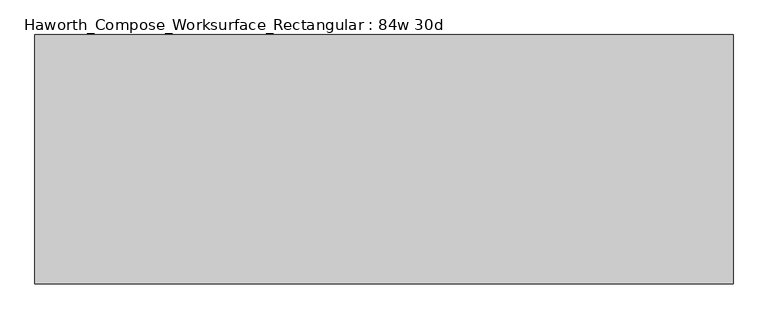
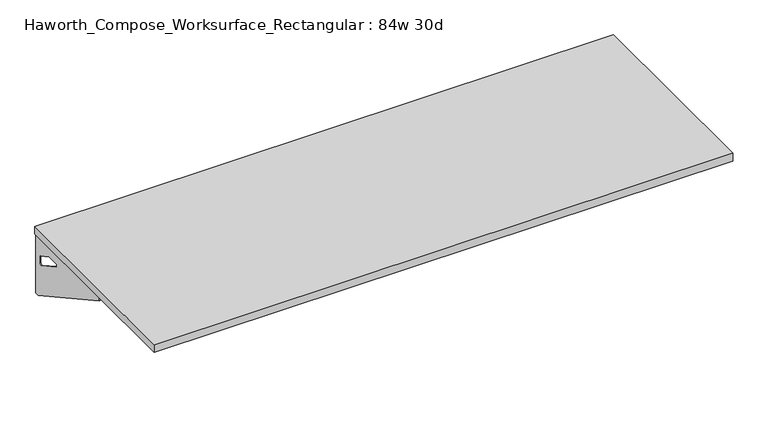
"""IFC4 building model written with IfcOpenShell, lengths in millimetres: furniture geometry, Haworth_Compose_Worksurface_Rectangular : 84w 30d."""

from ifc_helpers import new_model, si_unit, frame, origin, place, context, project, spatial, polyline, circle_curve, outline, extrude, source, transform, mapped, element, save
from ifc_brep_helpers import plane_surface, revolved_surface, advanced_brep


def haworth_compose_worksurface_rectangular_84w_30d_4b6d05cd(model_context):
    return source(origin(), model_context, "Body", "SolidModel", [
        advanced_brep(
        [(1061.24375, 381.0, 475.45625), (1061.24375, 365.125, 475.45625), (1061.24375, -25.4, 691.7192568), (1061.24375, -25.4, 704.05625), (1061.24375, 365.125, 704.05625), (1061.24375, 381.0, 704.05625), (1061.24375, 297.690072, 665.95625), (1061.24375, 254.0355284, 665.95625), (1061.24375, 251.3564235, 656.3705539), (1061.24375, 343.0776173, 605.5776439), (1061.24375, 352.425, 611.1756969), (1061.24375, 352.425, 634.6860246), (1061.24375, 350.6730055, 637.5242776), (1061.24375, 300.7663437, 665.1613425), (1063.625, 381.0, 475.45625), (1063.625, 381.0, 704.05625), (1063.625, 365.125, 704.05625), (1063.625, 365.125, 706.4375), (1063.625, -25.4, 706.4375), (1063.625, -25.4, 691.7192568), (1063.625, 365.125, 475.45625), (1063.625, 297.690072, 665.95625), (1063.625, 300.7663437, 665.1613425), (1063.625, 350.6730055, 637.5242776), (1063.625, 352.425, 634.6860246), (1063.625, 352.425, 611.1756969), (1063.625, 343.0776173, 605.5776439), (1063.625, 251.3564235, 656.3705539), (1063.625, 254.0355284, 665.95625), (1022.35, -25.4, 706.4375), (1022.35, -25.4, 704.05625), (1022.35, 365.125, 704.05625), (1022.35, 365.125, 706.4375)],
        [
            (0, 1),
            (1, 2),
            (2, 3),
            (3, 4),
            (4, 5),
            (5, 0),
            (6, 7),
            (7, 8, circle_curve(frame((1061.24375, 254.0355284, 660.7890106), z_axis=(1.0, 0.0, 0.0), x_axis=(0.0, -1.0, 0.0)), 5.1672394)),
            (8, 9),
            (9, 10, circle_curve(frame((1061.24375, 346.075, 611.1756969), z_axis=(1.0, 0.0, 0.0), x_axis=(0.0, -1.0, 0.0)), 6.35)),
            (10, 11),
            (11, 12, circle_curve(frame((1061.24375, 349.25, 634.6860246), z_axis=(1.0, 0.0, 0.0), x_axis=(0.0, -1.0, 0.0)), 3.175)),
            (12, 13),
            (13, 6, circle_curve(frame((1061.24375, 297.690072, 659.60625), z_axis=(1.0, 0.0, 0.0), x_axis=(0.0, -1.0, 0.0)), 6.35)),
            (14, 15),
            (15, 16),
            (16, 17),
            (17, 18),
            (18, 19),
            (19, 20),
            (20, 14),
            (21, 22, circle_curve(frame((1063.625, 297.690072, 659.60625), z_axis=(-1.0, 0.0, 0.0), x_axis=(0.0, -1.0, 0.0)), 6.35)),
            (22, 23),
            (23, 24, circle_curve(frame((1063.625, 349.25, 634.6860246), z_axis=(-1.0, 0.0, 0.0), x_axis=(0.0, -1.0, 0.0)), 3.175)),
            (24, 25),
            (25, 26, circle_curve(frame((1063.625, 346.075, 611.1756969), z_axis=(-1.0, 0.0, 0.0), x_axis=(0.0, -1.0, 0.0)), 6.35)),
            (26, 27),
            (27, 28, circle_curve(frame((1063.625, 254.0355284, 660.7890106), z_axis=(-1.0, 0.0, 0.0), x_axis=(0.0, -1.0, 0.0)), 5.1672394)),
            (28, 21),
            (4, 16),
            (15, 5),
            (14, 0),
            (20, 1),
            (19, 2),
            (18, 29),
            (29, 30),
            (30, 3),
            (6, 21),
            (28, 7),
            (9, 26),
            (25, 10),
            (24, 11),
            (23, 12),
            (27, 8),
            (31, 4),
            (30, 31),
            (32, 29),
            (17, 32),
            (31, 32),
            (22, 13),
        ],
        [
            plane_surface(frame((1061.24375, 381.0, 475.45625), z_axis=(-1.0, 0.0, 0.0), x_axis=(0.0, 1.0, 0.0))),
            plane_surface(frame((1063.625, 381.0, 475.45625), z_axis=(1.0, 0.0, 0.0), x_axis=(0.0, -1.0, 0.0))),
            plane_surface(frame((1063.625, -25.4, 704.05625), z_axis=(0.0, 0.0, 1.0), x_axis=(-1.0, 0.0, 0.0))),
            plane_surface(frame((1063.625, 381.0, 704.05625), z_axis=(0.0, 1.0, 0.0), x_axis=(-1.0, 0.0, 0.0))),
            plane_surface(frame((1063.625, 381.0, 475.45625), z_axis=(0.0, 0.0, -1.0), x_axis=(-1.0, 0.0, 0.0))),
            plane_surface(frame((1063.625, 365.125, 475.45625), z_axis=(0.0, -0.48445223513455843, -0.8748177135112952), x_axis=(-1.0, 0.0, 0.0))),
            plane_surface(frame((1063.625, -25.4, 691.7192568), z_axis=(0.0, -1.0, 0.0), x_axis=(-1.0, 0.0, 0.0))),
            plane_surface(frame((1063.625, 297.690072, 665.95625), z_axis=(0.0, 0.0, -1.0), x_axis=(-1.0, 0.0, 0.0))),
            revolved_surface(polyline([(1061.24375, 339.72499999999997, 611.1756969), (1063.625, 339.72499999999997, 611.1756969)]), (1063.625, 346.075, 611.1756969), (-1.0, 0.0, 0.0)),
            plane_surface(frame((1063.625, 352.425, 611.1756969), z_axis=(0.0, -1.0, 0.0), x_axis=(-1.0, 0.0, 0.0))),
            revolved_surface(polyline([(1061.24375, 346.075, 634.6860246), (1063.625, 346.075, 634.6860246)]), (1063.625, 349.25, 634.6860246), (-1.0, 0.0, 0.0)),
            revolved_surface(polyline([(1061.24375, 248.868289, 660.7890106), (1063.625, 248.868289, 660.7890106)]), (1063.625, 254.0355284, 660.7890106), (-1.0, 0.0, 0.0)),
            plane_surface(frame((1063.625, 365.125, 704.05625), z_axis=(0.0, 0.0, -1.0), x_axis=(-1.0, 0.0, 0.0))),
            plane_surface(frame((1063.625, 365.125, 706.4375), z_axis=(0.0, 0.0, 1.0), x_axis=(1.0, 0.0, 0.0))),
            plane_surface(frame((1022.35, 365.125, 706.4375), z_axis=(0.0, 1.0, 0.0), x_axis=(0.0, 0.0, -1.0))),
            plane_surface(frame((1022.35, -25.4, 706.4375), z_axis=(-1.0, 0.0, 0.0), x_axis=(0.0, 0.0, -1.0))),
            plane_surface(frame((1063.625, 251.3564235, 656.3705539), z_axis=(0.0, 0.4844522351345583, 0.8748177135112953), x_axis=(-1.0, 0.0, 0.0))),
            plane_surface(frame((1063.625, 350.6730055, 637.5242776), z_axis=(0.0, -0.4844522351345582, -0.8748177135112953), x_axis=(-1.0, 0.0, 0.0))),
            revolved_surface(polyline([(1061.24375, 291.34007199999996, 659.60625), (1063.625, 291.34007199999996, 659.60625)]), (1063.625, 297.690072, 659.60625), (-1.0, 0.0, 0.0)),
        ],
        [
            (0, [[1, 2, 3, 4, 5, 6], [7, 8, 9, 10, 11, 12, 13, 14]]),
            (1, [[15, 16, 17, 18, 19, 20, 21], [22, 23, 24, 25, 26, 27, 28, 29]]),
            (2, [[-5, 30, -16, 31]]),
            (3, [[-31, -15, 32, -6]]),
            (4, [[-32, -21, 33, -1]]),
            (5, [[-33, -20, 34, -2]]),
            (6, [[-34, -19, 35, 36, 37, -3]]),
            (7, [[38, -29, 39, -7]]),
            (8, [[40, -26, 41, -10]]),
            (9, [[-41, -25, 42, -11]]),
            (10, [[-42, -24, 43, -12]]),
            (11, [[-39, -28, 44, -8]]),
            (12, [[45, -4, -37, 46]]),
            (13, [[47, -35, -18, 48]]),
            (14, [[-17, -30, -45, 49, -48]]),
            (15, [[-36, -47, -49, -46]]),
            (16, [[-44, -27, -40, -9]]),
            (17, [[-43, -23, 50, -13]]),
            (18, [[-50, -22, -38, -14]]),
        ],
    ),
        advanced_brep(
        [(-1061.24375, 381.0, 475.45625), (-1061.24375, 381.0, 704.05625), (-1061.24375, 365.125, 704.05625), (-1061.24375, -25.4, 704.05625), (-1061.24375, -25.4, 691.7192568), (-1061.24375, 365.125, 475.45625), (-1061.24375, 297.690072, 665.95625), (-1061.24375, 300.7663437, 665.1613425), (-1061.24375, 350.6730055, 637.5242776), (-1061.24375, 352.425, 634.6860246), (-1061.24375, 352.425, 611.1756969), (-1061.24375, 343.0776173, 605.5776439), (-1061.24375, 251.3564235, 656.3705539), (-1061.24375, 254.0355284, 665.95625), (-1063.625, 381.0, 475.45625), (-1063.625, 365.125, 475.45625), (-1063.625, -25.4, 691.7192568), (-1063.625, -25.4, 706.4375), (-1063.625, 365.125, 706.4375), (-1063.625, 365.125, 704.05625), (-1063.625, 381.0, 704.05625), (-1063.625, 297.690072, 665.95625), (-1063.625, 254.0355284, 665.95625), (-1063.625, 251.3564235, 656.3705539), (-1063.625, 343.0776173, 605.5776439), (-1063.625, 352.425, 611.1756969), (-1063.625, 352.425, 634.6860246), (-1063.625, 350.6730055, 637.5242776), (-1063.625, 300.7663437, 665.1613425), (-1022.35, -25.4, 704.05625), (-1022.35, -25.4, 706.4375), (-1022.35, 365.125, 704.05625), (-1022.35, 365.125, 706.4375)],
        [
            (0, 1),
            (1, 2),
            (2, 3),
            (3, 4),
            (4, 5),
            (5, 0),
            (6, 7, circle_curve(frame((-1061.24375, 297.690072, 659.60625), z_axis=(-1.0, 0.0, 0.0), x_axis=(0.0, -1.0, 0.0)), 6.35)),
            (7, 8),
            (8, 9, circle_curve(frame((-1061.24375, 349.25, 634.6860246), z_axis=(-1.0, 0.0, 0.0), x_axis=(0.0, -1.0, 0.0)), 3.175)),
            (9, 10),
            (10, 11, circle_curve(frame((-1061.24375, 346.075, 611.1756969), z_axis=(-1.0, 0.0, 0.0), x_axis=(0.0, -1.0, 0.0)), 6.35)),
            (11, 12),
            (12, 13, circle_curve(frame((-1061.24375, 254.0355284, 660.7890106), z_axis=(-1.0, 0.0, 0.0), x_axis=(0.0, -1.0, 0.0)), 5.1672394)),
            (13, 6),
            (14, 15),
            (15, 16),
            (16, 17),
            (17, 18),
            (18, 19),
            (19, 20),
            (20, 14),
            (21, 22),
            (22, 23, circle_curve(frame((-1063.625, 254.0355284, 660.7890106), z_axis=(1.0, 0.0, 0.0), x_axis=(0.0, -1.0, 0.0)), 5.1672394)),
            (23, 24),
            (24, 25, circle_curve(frame((-1063.625, 346.075, 611.1756969), z_axis=(1.0, 0.0, 0.0), x_axis=(0.0, -1.0, 0.0)), 6.35)),
            (25, 26),
            (26, 27, circle_curve(frame((-1063.625, 349.25, 634.6860246), z_axis=(1.0, 0.0, 0.0), x_axis=(0.0, -1.0, 0.0)), 3.175)),
            (27, 28),
            (28, 21, circle_curve(frame((-1063.625, 297.690072, 659.60625), z_axis=(1.0, 0.0, 0.0), x_axis=(0.0, -1.0, 0.0)), 6.35)),
            (1, 20),
            (19, 2),
            (0, 14),
            (5, 15),
            (4, 16),
            (3, 29),
            (29, 30),
            (30, 17),
            (13, 22),
            (21, 6),
            (10, 25),
            (24, 11),
            (9, 26),
            (8, 27),
            (12, 23),
            (31, 29),
            (2, 31),
            (32, 18),
            (30, 32),
            (32, 31),
            (7, 28),
        ],
        [
            plane_surface(frame((-1061.24375, 381.0, 475.45625), z_axis=(1.0, 0.0, 0.0), x_axis=(0.0, 1.0, 0.0))),
            plane_surface(frame((-1063.625, 381.0, 475.45625), z_axis=(-1.0, 0.0, 0.0), x_axis=(0.0, -1.0, 0.0))),
            plane_surface(frame((-1063.625, -25.4, 704.05625), z_axis=(0.0, 0.0, 1.0), x_axis=(1.0, 0.0, 0.0))),
            plane_surface(frame((-1063.625, 381.0, 704.05625), z_axis=(0.0, 1.0, 0.0), x_axis=(1.0, 0.0, 0.0))),
            plane_surface(frame((-1063.625, 381.0, 475.45625), z_axis=(0.0, 0.0, -1.0), x_axis=(1.0, 0.0, 0.0))),
            plane_surface(frame((-1063.625, 365.125, 475.45625), z_axis=(0.0, -0.48445223513455843, -0.8748177135112952), x_axis=(1.0, 0.0, 0.0))),
            plane_surface(frame((-1063.625, -25.4, 691.7192568), z_axis=(0.0, -1.0, 0.0), x_axis=(1.0, 0.0, 0.0))),
            plane_surface(frame((-1063.625, 297.690072, 665.95625), z_axis=(0.0, 0.0, -1.0), x_axis=(1.0, 0.0, 0.0))),
            revolved_surface(polyline([(-1061.24375, 339.72499999999997, 611.1756969), (-1063.625, 339.72499999999997, 611.1756969)]), (-1063.625, 346.075, 611.1756969), (1.0, 0.0, 0.0)),
            plane_surface(frame((-1063.625, 352.425, 611.1756969), z_axis=(0.0, -1.0, 0.0), x_axis=(1.0, 0.0, 0.0))),
            revolved_surface(polyline([(-1061.24375, 346.075, 634.6860246), (-1063.625, 346.075, 634.6860246)]), (-1063.625, 349.25, 634.6860246), (1.0, 0.0, 0.0)),
            revolved_surface(polyline([(-1061.24375, 248.868289, 660.7890106), (-1063.625, 248.868289, 660.7890106)]), (-1063.625, 254.0355284, 660.7890106), (1.0, 0.0, 0.0)),
            plane_surface(frame((-1063.625, 365.125, 704.05625), z_axis=(0.0, 0.0, -1.0), x_axis=(1.0, 0.0, 0.0))),
            plane_surface(frame((-1063.625, 365.125, 706.4375), z_axis=(0.0, 0.0, 1.0), x_axis=(-1.0, 0.0, 0.0))),
            plane_surface(frame((-1022.35, 365.125, 706.4375), z_axis=(0.0, 1.0, 0.0), x_axis=(0.0, 0.0, -1.0))),
            plane_surface(frame((-1022.35, -25.4, 706.4375), z_axis=(1.0, 0.0, 0.0), x_axis=(0.0, 0.0, -1.0))),
            plane_surface(frame((-1063.625, 251.3564235, 656.3705539), z_axis=(0.0, 0.4844522351345583, 0.8748177135112953), x_axis=(1.0, 0.0, 0.0))),
            plane_surface(frame((-1063.625, 350.6730055, 637.5242776), z_axis=(0.0, -0.4844522351345582, -0.8748177135112953), x_axis=(1.0, 0.0, 0.0))),
            revolved_surface(polyline([(-1061.24375, 291.34007199999996, 659.60625), (-1063.625, 291.34007199999996, 659.60625)]), (-1063.625, 297.690072, 659.60625), (1.0, 0.0, 0.0)),
        ],
        [
            (0, [[1, 2, 3, 4, 5, 6], [7, 8, 9, 10, 11, 12, 13, 14]]),
            (1, [[15, 16, 17, 18, 19, 20, 21], [22, 23, 24, 25, 26, 27, 28, 29]]),
            (2, [[30, -20, 31, -2]]),
            (3, [[-1, 32, -21, -30]]),
            (4, [[-6, 33, -15, -32]]),
            (5, [[-5, 34, -16, -33]]),
            (6, [[-4, 35, 36, 37, -17, -34]]),
            (7, [[-14, 38, -22, 39]]),
            (8, [[-11, 40, -25, 41]]),
            (9, [[-10, 42, -26, -40]]),
            (10, [[-9, 43, -27, -42]]),
            (11, [[-13, 44, -23, -38]]),
            (12, [[45, -35, -3, 46]]),
            (13, [[47, -18, -37, 48]]),
            (14, [[-47, 49, -46, -31, -19]]),
            (15, [[-45, -49, -48, -36]]),
            (16, [[-12, -41, -24, -44]]),
            (17, [[-8, 50, -28, -43]]),
            (18, [[-7, -39, -29, -50]]),
        ],
    ),
        extrude(outline(polyline([(1066.8, 381.0), (1066.8, -381.0), (-1066.8, -381.0), (-1066.8, 381.0), (1066.8, 381.0)])), frame((0.0, 0.0, 706.4375), z_axis=(0.0, 0.0, 1.0), x_axis=(1.0, 0.0, 0.0)), (0.0, 0.0, 1.0), 30.1625),
    ])


if __name__ == "__main__":
    model = new_model("IFC4")
    model_context = context("Model", 3, world=origin())
    ifc_project = project(units=[si_unit("LENGTHUNIT", "METRE", prefix="MILLI")], contexts=[model_context])
    site = spatial("IfcSite", under=ifc_project)
    building = spatial("IfcBuilding", under=site)
    placement = place(None, origin())
    haworth_compose_worksurface_rectangular_84w_30d_shape = haworth_compose_worksurface_rectangular_84w_30d_4b6d05cd(model_context)
    element("IfcFurniture", 1, ObjectType="Haworth_Compose_Worksurface_Rectangular : 84w 30d", at=placement, inside=building, context=model_context, shape_type="MappedRepresentation", body=[
        mapped(haworth_compose_worksurface_rectangular_84w_30d_shape, transform((0.0, 0.0, 0.0), x_axis=(1.0, 0.0, 0.0), y_axis=(0.0, 1.0, 0.0), z_axis=(0.0, 0.0, 1.0))),
    ])
    save(model, "model.ifc")
